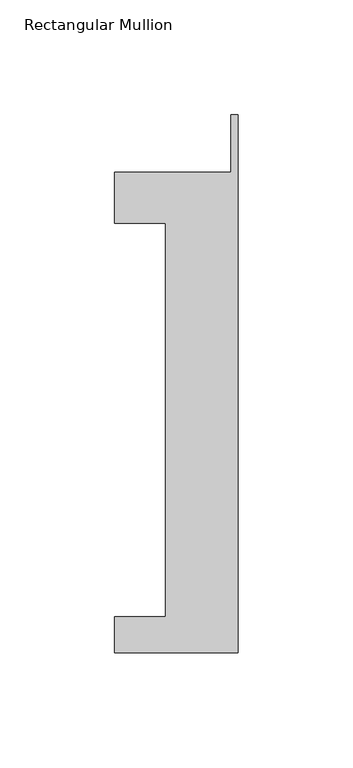
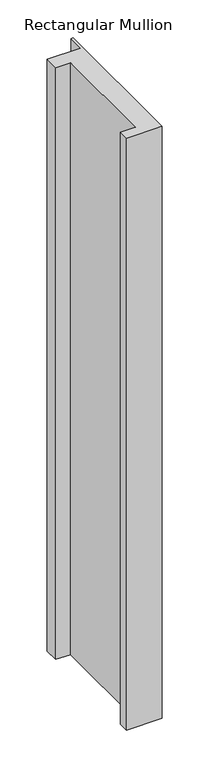
"""IFC4 building model written with IfcOpenShell, lengths in millimetres: member geometry, Rectangular Mullion."""

from ifc_helpers import new_model, si_unit, frame, origin, place, context, project, spatial, polyline, outline, extrude, source, transform, mapped, element, save


def rectangular_mullion_803037d7(model_context):
    return source(origin(), model_context, "Body", "SweptSolid", [
        extrude(outline(polyline([(-53.975, -221.996), (-53.975, -206.121), (-31.75, -206.121), (-31.75, -34.671), (-53.975, -34.671), (-53.975, -12.446), (-3.175, -12.446), (-3.175, 12.7), (0.0, 12.7), (0.0, -221.996), (-53.975, -221.996)])), frame((0.0, 0.0, -952.5), z_axis=(0.0, 0.0, 1.0), x_axis=(1.0, 0.0, 0.0)), (0.0, 0.0, 1.0), 952.5),
    ])


if __name__ == "__main__":
    model = new_model("IFC4")
    model_context = context("Model", 3, world=origin())
    ifc_project = project(units=[si_unit("LENGTHUNIT", "METRE", prefix="MILLI")], contexts=[model_context])
    site = spatial("IfcSite", under=ifc_project)
    building = spatial("IfcBuilding", under=site)
    placement = place(None, origin())
    rectangular_mullion_shape = rectangular_mullion_803037d7(model_context)
    element("IfcMember", 1, ObjectType="Rectangular Mullion", at=placement, inside=building, context=model_context, shape_type="MappedRepresentation", body=[
        mapped(rectangular_mullion_shape, transform((0.0, 0.0, 0.0), x_axis=(1.0, 0.0, 0.0), y_axis=(0.0, 1.0, 0.0), z_axis=(0.0, 0.0, 1.0))),
    ])
    save(model, "model.ifc")
